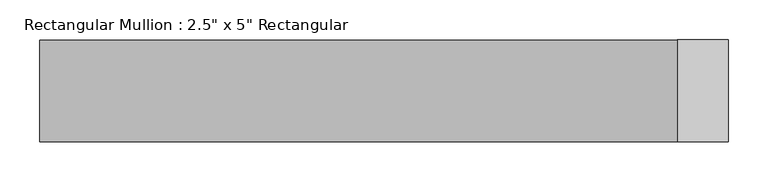
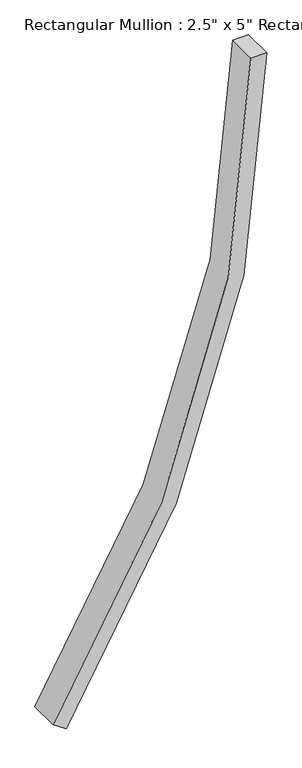
"""IFC4 building model written with IfcOpenShell, lengths in millimetres: member geometry."""

from ifc_helpers import new_model, si_unit, point, frame, frame_2d, origin, place, context, project, spatial, polyline, circle_curve, trimmed, segment, composite_curve, outline, extrude, source, transform, mapped, element, save


def member_f096946e(model_context):
    return source(origin(), model_context, "Body", "SweptSolid", [
        extrude(outline(composite_curve([segment(trimmed(circle_curve(frame_2d((0.0, -4572.0)), 4572.0), [point((-2595.7350005, -808.3124722))], [point((0.0, 0.0))], False, "CARTESIAN"), True, "CONTINUOUS"), segment(polyline([(0.0, 0.0), (0.0, -63.5)]), True, "CONTINUOUS"), segment(trimmed(circle_curve(frame_2d((0.0, -4572.0)), 4508.5), [point((0.0, -63.5))], [point((-2559.6831255, -860.58591))], True, "CARTESIAN"), True, "CONTINUOUS"), segment(polyline([(-2559.6831255, -860.58591), (-2595.7350005, -808.3124722)]), True, "CONTINUOUS")], self_intersect=False)), frame((0.0, -63.5, 0.0), z_axis=(0.0, 1.0, 0.0), x_axis=(0.0, 0.0, 1.0)), (0.0, 0.0, 1.0), 127.0),
    ])


if __name__ == "__main__":
    model = new_model("IFC4")
    model_context = context("Model", 3, world=origin())
    ifc_project = project(units=[si_unit("LENGTHUNIT", "METRE", prefix="MILLI")], contexts=[model_context])
    site = spatial("IfcSite", under=ifc_project)
    building = spatial("IfcBuilding", under=site)
    placement = place(None, origin())
    member_shape = member_f096946e(model_context)
    element("IfcMember", 1, ObjectType="Rectangular Mullion : 2.5\" x 5\" Rectangular", at=placement, inside=building, context=model_context, shape_type="MappedRepresentation", body=[
        mapped(member_shape, transform((0.0, 0.0, 0.0), x_axis=(1.0, 0.0, 0.0), y_axis=(0.0, 1.0, 0.0), z_axis=(0.0, 0.0, 1.0))),
    ])
    save(model, "model.ifc")
